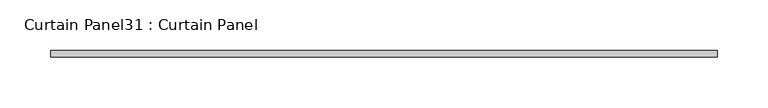
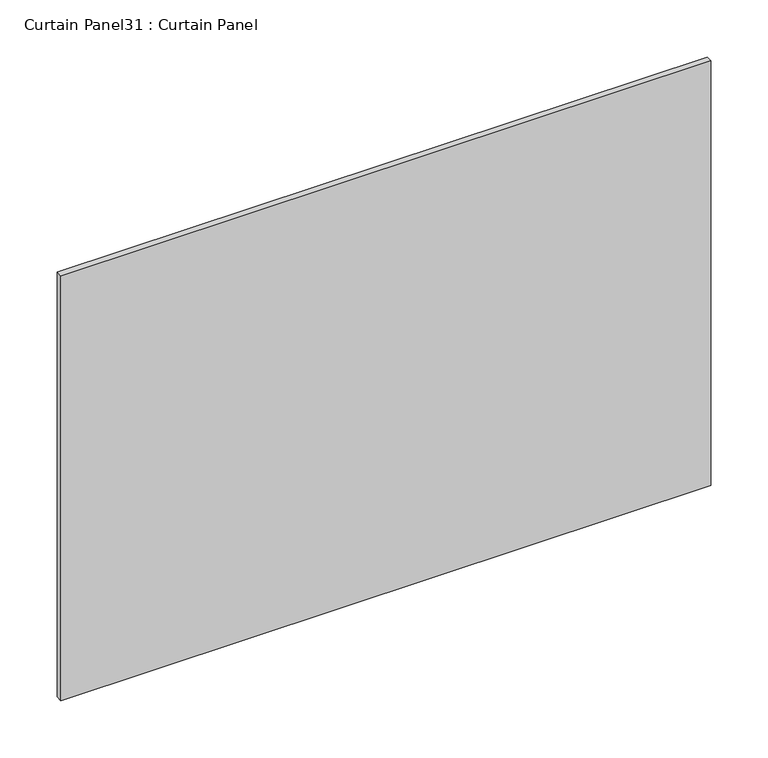
"""IFC4 building model written with IfcOpenShell, lengths in millimetres: plate geometry, Curtain Panel31 : Curtain Panel."""

from ifc_helpers import new_model, si_unit, frame, origin, place, context, project, spatial, polyline, outline, extrude, source, transform, mapped, element, save


def curtain_panel31_curtain_panel_8a527164(model_context):
    return source(origin(), model_context, "Body", "SweptSolid", [
        extrude(outline(polyline([(6123.8526925, 3568.3617926), (5467.398997, 3568.3617926), (5467.398997, 3574.7117926), (6123.8526925, 3574.7117926), (6123.8526925, 3568.3617926)])), frame((0.0, 0.0, 2554.398625), z_axis=(0.0, 0.0, 1.0), x_axis=(1.0, 0.0, 0.0)), (0.0, 0.0, 1.0), 453.8163418),
    ])


if __name__ == "__main__":
    model = new_model("IFC4")
    model_context = context("Model", 3, world=origin())
    ifc_project = project(units=[si_unit("LENGTHUNIT", "METRE", prefix="MILLI")], contexts=[model_context])
    site = spatial("IfcSite", under=ifc_project)
    building = spatial("IfcBuilding", under=site)
    placement = place(None, origin())
    curtain_panel31_curtain_panel_shape = curtain_panel31_curtain_panel_8a527164(model_context)
    element("IfcPlate", 1, ObjectType="Curtain Panel31 : Curtain Panel", at=placement, inside=building, context=model_context, shape_type="MappedRepresentation", body=[
        mapped(curtain_panel31_curtain_panel_shape, transform((0.0, 0.0, 0.0), x_axis=(1.0, 0.0, 0.0), y_axis=(0.0, 1.0, 0.0), z_axis=(0.0, 0.0, 1.0))),
    ])
    save(model, "model.ifc")
